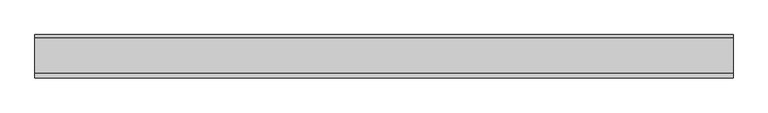
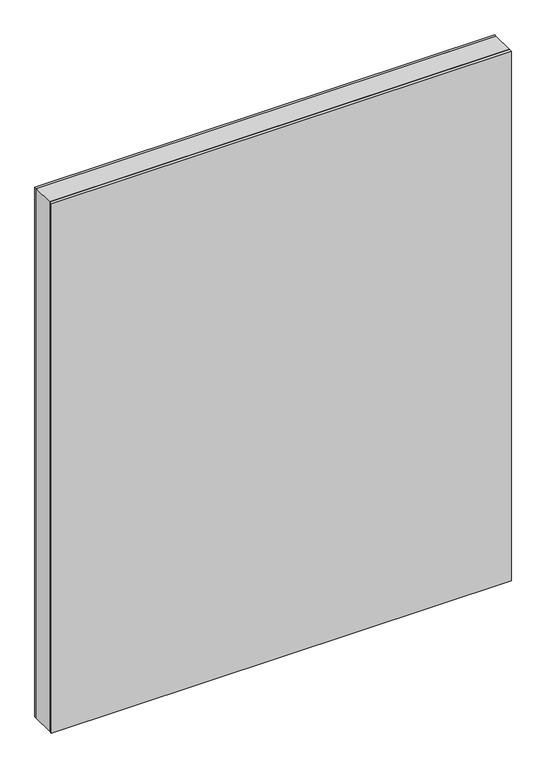
"""IFC4 building model written with IfcOpenShell, lengths in millimetres: plate geometry."""

from ifc_helpers import new_model, si_unit, frame, origin, origin_with_axes, place, context, project, spatial, polyline, outline, extrude, source, transform, mapped, element, save


def plate_7cf01711(model_context):
    return source(origin(), model_context, "Body", "SweptSolid", [
        extrude(outline(polyline([(1464.75, -602.1874999), (0.0, -602.1874999), (0.0, 602.1874999), (1464.75, 602.1874999), (1464.75, -602.1874999)]), holes=[polyline([(1463.75, -601.1874999), (1463.75, 601.1874999), (1.0, 601.1874999), (1.0, -601.1874999), (1463.75, -601.1874999)])]), frame((0.0, -29.2, 0.0), z_axis=(0.0, 1.0, 0.0), x_axis=(0.0, 0.0, 1.0)), (0.0, 0.0, 1.0), 60.4),
        extrude(outline(polyline([(602.1874999, 31.2), (-602.1874999, 31.2), (-602.1874999, 37.2), (602.1874999, 37.2), (602.1874999, 31.2)])), origin_with_axes(), (0.0, 0.0, 1.0), 1464.75),
        extrude(outline(polyline([(-602.1874999, -37.2), (-602.1874999, -29.2), (602.1874999, -29.2), (602.1874999, -37.2), (-602.1874999, -37.2)])), origin_with_axes(), (0.0, 0.0, 1.0), 1464.75),
    ])


if __name__ == "__main__":
    model = new_model("IFC4")
    model_context = context("Model", 3, world=origin())
    ifc_project = project(units=[si_unit("LENGTHUNIT", "METRE", prefix="MILLI")], contexts=[model_context])
    site = spatial("IfcSite", under=ifc_project)
    building = spatial("IfcBuilding", under=site)
    placement = place(None, origin())
    plate_shape = plate_7cf01711(model_context)
    element("IfcPlate", 1, at=placement, inside=building, context=model_context, shape_type="MappedRepresentation", body=[
        mapped(plate_shape, transform((0.0, 0.0, 0.0), x_axis=(1.0, 0.0, 0.0), y_axis=(0.0, 1.0, 0.0), z_axis=(0.0, 0.0, 1.0))),
    ])
    save(model, "model.ifc")
